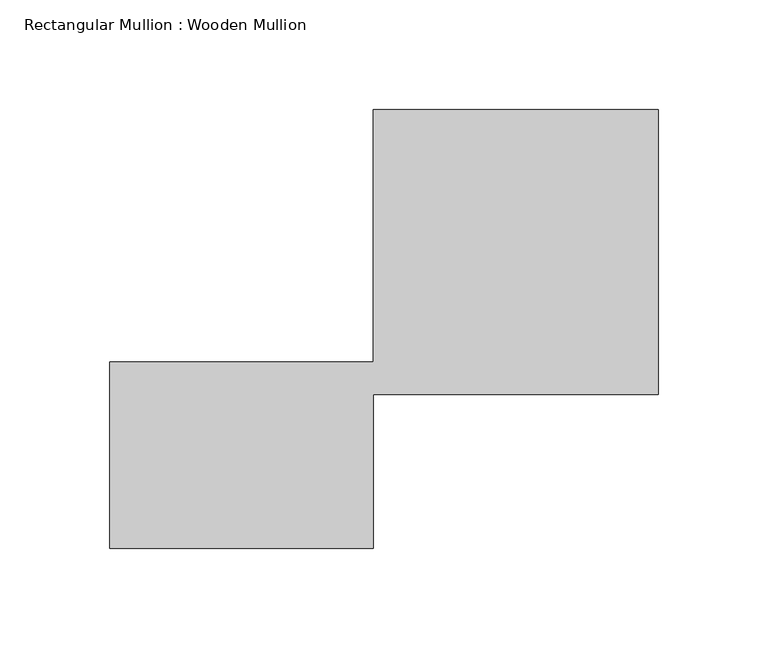
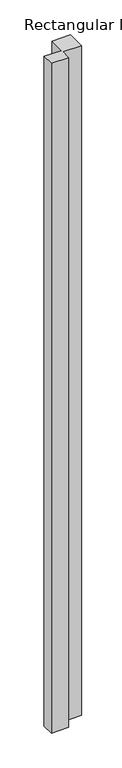
"""IFC4 building model written with IfcOpenShell, lengths in millimetres: member geometry, Rectangular Mullion : Wooden Mullion."""

from ifc_helpers import new_model, si_unit, frame, origin, place, context, project, spatial, polyline, outline, extrude, source, transform, mapped, element, save


def rectangular_mullion_wooden_mullion_4a30fa48(model_context):
    return source(origin(), model_context, "Body", "SweptSolid", [
        extrude(outline(polyline([(74.8100006, -26.0137344), (-45.1899994, -26.0137344), (-45.1899994, 58.9862656), (74.8100006, 58.9862656), (74.8100006, 173.9862656), (204.8100006, 173.9862656), (204.8100006, 43.9862656), (74.8100006, 43.9862656), (74.8100006, -26.0137344)])), frame((0.0, 0.0, -4911.9171753), z_axis=(0.0, 0.0, 1.0), x_axis=(1.0, 0.0, 0.0)), (0.0, 0.0, 1.0), 4911.9171753),
    ])


if __name__ == "__main__":
    model = new_model("IFC4")
    model_context = context("Model", 3, world=origin())
    ifc_project = project(units=[si_unit("LENGTHUNIT", "METRE", prefix="MILLI")], contexts=[model_context])
    site = spatial("IfcSite", under=ifc_project)
    building = spatial("IfcBuilding", under=site)
    placement = place(None, origin())
    rectangular_mullion_wooden_mullion_shape = rectangular_mullion_wooden_mullion_4a30fa48(model_context)
    element("IfcMember", 1, ObjectType="Rectangular Mullion : Wooden Mullion", at=placement, inside=building, context=model_context, shape_type="MappedRepresentation", body=[
        mapped(rectangular_mullion_wooden_mullion_shape, transform((0.0, 0.0, 0.0), x_axis=(1.0, 0.0, 0.0), y_axis=(0.0, 1.0, 0.0), z_axis=(0.0, 0.0, 1.0))),
    ])
    save(model, "model.ifc")
